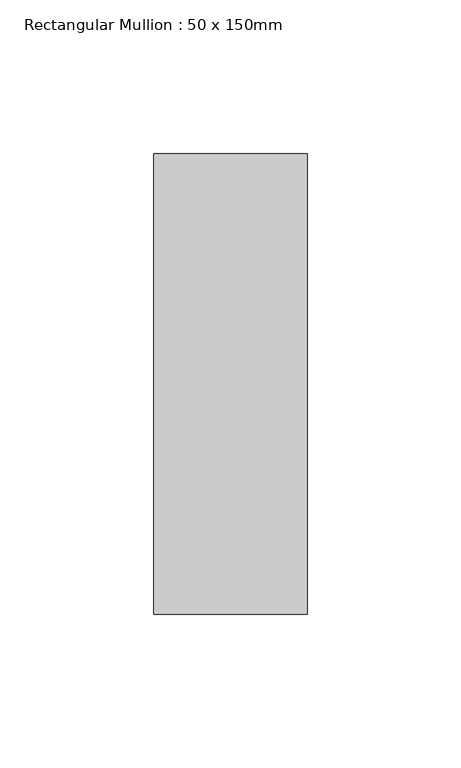
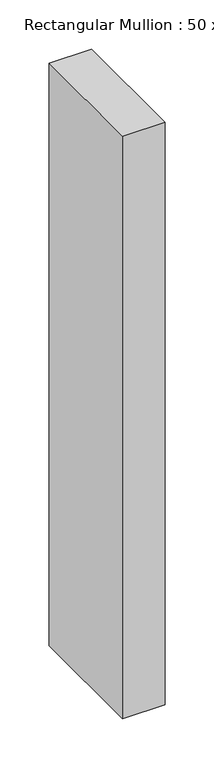
"""IFC4 building model written with IfcOpenShell, lengths in millimetres: member geometry, Rectangular Mullion : 50 x 150mm."""

from ifc_helpers import new_model, si_unit, frame, origin, place, context, project, spatial, polyline, outline, extrude, source, transform, mapped, element, save


def rectangular_mullion_50_x_150mm_74263cd1(model_context):
    return source(origin(), model_context, "Body", "SweptSolid", [
        extrude(outline(polyline([(0.0, 75.0), (0.0, -75.0), (-50.0, -75.0), (-50.0, 75.0), (0.0, 75.0)])), frame((0.0, 0.0, -725.0), z_axis=(0.0, 0.0, 1.0), x_axis=(1.0, 0.0, 0.0)), (0.0, 0.0, 1.0), 725.0),
    ])


if __name__ == "__main__":
    model = new_model("IFC4")
    model_context = context("Model", 3, world=origin())
    ifc_project = project(units=[si_unit("LENGTHUNIT", "METRE", prefix="MILLI")], contexts=[model_context])
    site = spatial("IfcSite", under=ifc_project)
    building = spatial("IfcBuilding", under=site)
    placement = place(None, origin())
    rectangular_mullion_50_x_150mm_shape = rectangular_mullion_50_x_150mm_74263cd1(model_context)
    element("IfcMember", 1, ObjectType="Rectangular Mullion : 50 x 150mm", at=placement, inside=building, context=model_context, shape_type="MappedRepresentation", body=[
        mapped(rectangular_mullion_50_x_150mm_shape, transform((0.0, 0.0, 0.0), x_axis=(1.0, 0.0, 0.0), y_axis=(0.0, 1.0, 0.0), z_axis=(0.0, 0.0, 1.0))),
    ])
    save(model, "model.ifc")
